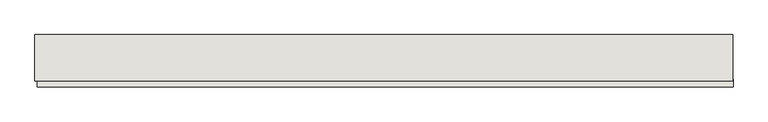
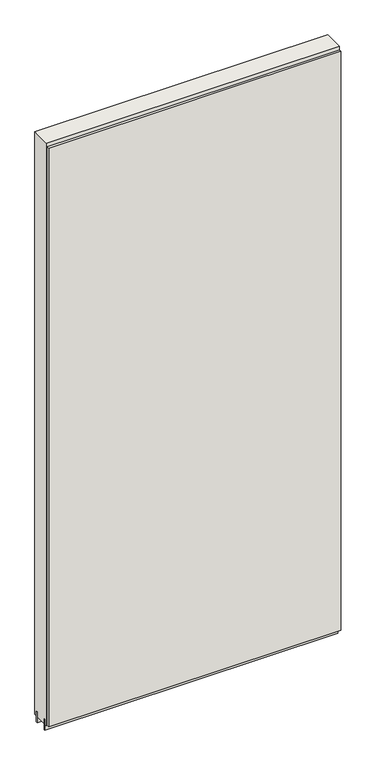
"""IFC4 building model written with IfcOpenShell, lengths in millimetres: wall geometry."""

from ifc_helpers import new_model, si_unit, frame, origin, place, context, project, spatial, polyline, outline, extrude, source, transform, mapped, element, save


def wall_537e5205(model_context):
    return source(origin(), model_context, "Body", "SweptSolid", [
        extrude(outline(polyline([(50801.1918696, -47669.4636398), (50803.7318696, -47669.4636398), (50803.7318696, -47672.0036398), (50801.1918696, -47672.0036398), (50801.1918696, -47669.4636398)])), frame((0.0, 0.0, 4419.6), z_axis=(0.0, 0.0, 1.0), x_axis=(1.0, 0.0, 0.0)), (0.0, 0.0, 1.0), 2.54),
        extrude(outline(polyline([(50804.1949624, -47721.5336398), (49588.9949544, -47721.5336398), (49588.9949544, -47708.8336398), (50804.1949624, -47708.8336398), (50804.1949624, -47721.5336398)])), frame((0.0, 0.0, 4445.0), z_axis=(0.0, 0.0, 1.0), x_axis=(1.0, 0.0, 0.0)), (0.0, 0.0, 1.0), 2545.0498756),
        extrude(outline(polyline([(49584.5331142, -47695.8142856), (50803.7331142, -47695.8142856), (50803.7331142, -47700.8961398), (49584.5331142, -47700.8961398), (49584.5331142, -47695.8142856)])), frame((0.0, 0.0, 4418.6602), z_axis=(0.0, 0.0, 1.0), x_axis=(1.0, 0.0, 0.0)), (0.0, 0.0, 1.0), 47.625),
        extrude(outline(polyline([(49584.5331142, -47695.8142856), (50803.7331142, -47695.8142856), (50803.7331142, -47700.8961398), (49584.5331142, -47700.8961398), (49584.5331142, -47695.8142856)])), frame((0.0, 0.0, 4418.6602), z_axis=(0.0, 0.0, 1.0), x_axis=(1.0, 0.0, 0.0)), (0.0, 0.0, 1.0), 47.625),
        extrude(outline(polyline([(50803.7331142, -47645.6498952), (49584.5331142, -47645.6498952), (49584.5331142, -47640.5711398), (50803.7331142, -47640.5711398), (50803.7331142, -47645.6498952)])), frame((0.0, 0.0, 4418.6602), z_axis=(0.0, 0.0, 1.0), x_axis=(1.0, 0.0, 0.0)), (0.0, 0.0, 1.0), 47.625),
        extrude(outline(polyline([(50803.7331142, -47645.6498952), (49584.5331142, -47645.6498952), (49584.5331142, -47640.5711398), (50803.7331142, -47640.5711398), (50803.7331142, -47645.6498952)])), frame((0.0, 0.0, 4418.6602), z_axis=(0.0, 0.0, 1.0), x_axis=(1.0, 0.0, 0.0)), (0.0, 0.0, 1.0), 47.625),
        extrude(outline(polyline([(49584.5331142, -47711.3854254), (49584.5331142, -47630.10667), (50803.7331142, -47630.10667), (50803.7331142, -47711.3854254), (49584.5331142, -47711.3854254)])), frame((0.0, 0.0, 4445.0), z_axis=(0.0, 0.0, 1.0), x_axis=(1.0, 0.0, 0.0)), (0.0, 0.0, 1.0), 2562.4536762),
    ])


if __name__ == "__main__":
    model = new_model("IFC4")
    model_context = context("Model", 3, world=origin())
    ifc_project = project(units=[si_unit("LENGTHUNIT", "METRE", prefix="MILLI")], contexts=[model_context])
    site = spatial("IfcSite", under=ifc_project)
    building = spatial("IfcBuilding", under=site)
    placement = place(None, origin())
    wall_shape = wall_537e5205(model_context)
    element("IfcWall", 1, at=placement, inside=building, context=model_context, shape_type="MappedRepresentation", body=[
        mapped(wall_shape, transform((0.0, 0.0, 0.0), x_axis=(1.0, 0.0, 0.0), y_axis=(0.0, 1.0, 0.0), z_axis=(0.0, 0.0, 1.0))),
    ])
    save(model, "model.ifc")
